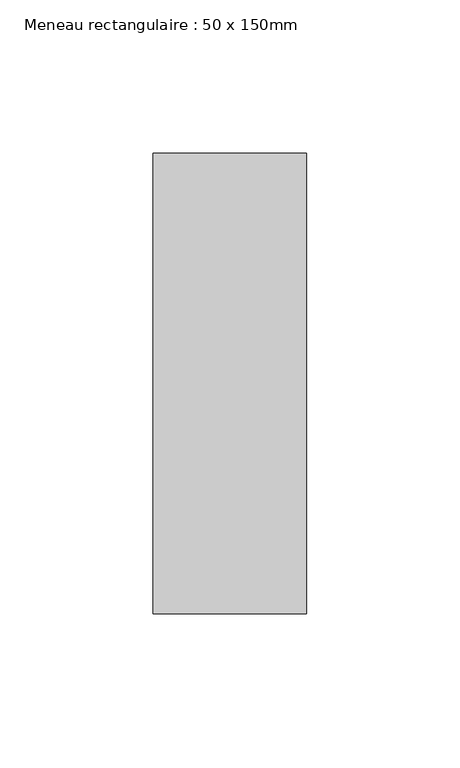
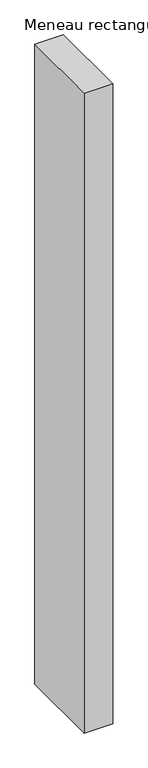
"""IFC4 building model written with IfcOpenShell, lengths in millimetres: member geometry, Meneau rectangulaire : 50 x 150mm."""

from ifc_helpers import new_model, si_unit, frame, origin, place, context, project, spatial, polyline, outline, extrude, source, transform, mapped, element, save


def meneau_rectangulaire_50_x_150mm_f245f81d(model_context):
    return source(origin(), model_context, "Body", "SweptSolid", [
        extrude(outline(polyline([(0.0, 75.0), (0.0, -75.0), (-50.0, -75.0), (-50.0, 75.0), (0.0, 75.0)])), frame((0.0, 0.0, -1187.2767872), z_axis=(0.0, 0.0, 1.0), x_axis=(1.0, 0.0, 0.0)), (0.0, 0.0, 1.0), 1187.2767872),
    ])


if __name__ == "__main__":
    model = new_model("IFC4")
    model_context = context("Model", 3, world=origin())
    ifc_project = project(units=[si_unit("LENGTHUNIT", "METRE", prefix="MILLI")], contexts=[model_context])
    site = spatial("IfcSite", under=ifc_project)
    building = spatial("IfcBuilding", under=site)
    placement = place(None, origin())
    meneau_rectangulaire_50_x_150mm_shape = meneau_rectangulaire_50_x_150mm_f245f81d(model_context)
    element("IfcMember", 1, ObjectType="Meneau rectangulaire : 50 x 150mm", at=placement, inside=building, context=model_context, shape_type="MappedRepresentation", body=[
        mapped(meneau_rectangulaire_50_x_150mm_shape, transform((0.0, 0.0, 0.0), x_axis=(1.0, 0.0, 0.0), y_axis=(0.0, 1.0, 0.0), z_axis=(0.0, 0.0, 1.0))),
    ])
    save(model, "model.ifc")
